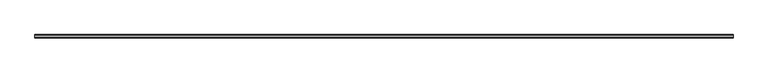
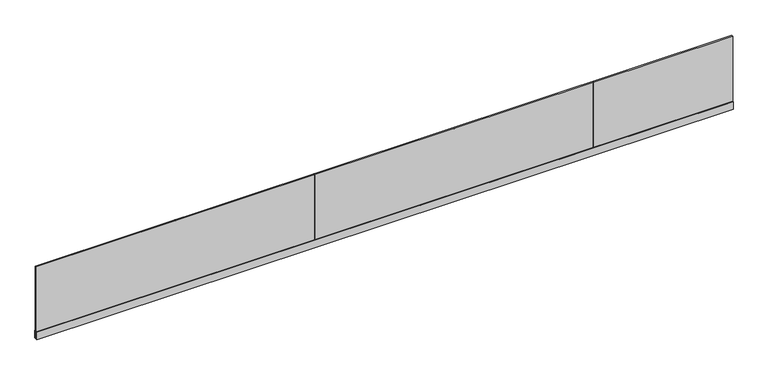
"""IFC4 building model written with IfcOpenShell, lengths in millimetres: railing geometry."""

from ifc_helpers import new_model, si_unit, frame, origin, place, context, project, spatial, polyline, outline, extrude, source, transform, mapped, element, save


def railing_f9e064a4(model_context):
    return source(origin(), model_context, "Body", "SweptSolid", [
        extrude(outline(polyline([(-3061.5739061, -3118.1175492), (-3061.5739061, -3139.6175492), (-13061.5739061, -3139.6175492), (-13061.5739061, -3118.1175492), (-3061.5739061, -3118.1175492)])), frame((0.0, 0.0, 8.0), z_axis=(0.0, 0.0, 1.0), x_axis=(1.0, 0.0, 0.0)), (0.0, 0.0, 1.0), 1092.0),
        extrude(outline(polyline([(-3103.8675492, 0.0), (-3128.8675492, 0.0), (-3153.8675492, 0.0), (-3153.8675492, 114.0), (-3139.6175492, 114.0), (-3139.6175492, 8.0), (-3128.8675492, 8.0), (-3118.1175492, 8.0), (-3118.1175492, 114.0), (-3103.8675492, 114.0), (-3103.8675492, 0.0)])), frame((-13061.5739061, 0.0, 0.0), z_axis=(1.0, 0.0, 0.0), x_axis=(0.0, 1.0, 0.0)), (0.0, 0.0, 1.0), 10000.0),
        extrude(outline(polyline([(-11063.2405711, -3139.6175492), (-11063.2405711, -3118.1175492), (-11059.9072411, -3118.1175492), (-11059.9072411, -3139.6175492), (-11063.2405711, -3139.6175492)])), frame((0.0, 0.0, 7.9), z_axis=(0.0, 0.0, 1.0), x_axis=(1.0, 0.0, 0.0)), (0.0, 0.0, 1.0), 1092.0),
        extrude(outline(polyline([(-9063.2405711, -3139.6175492), (-9063.2405711, -3118.1175492), (-9059.9072411, -3118.1175492), (-9059.9072411, -3139.6175492), (-9063.2405711, -3139.6175492)])), frame((0.0, 0.0, 7.9), z_axis=(0.0, 0.0, 1.0), x_axis=(1.0, 0.0, 0.0)), (0.0, 0.0, 1.0), 1092.0),
        extrude(outline(polyline([(-7063.2405711, -3139.6175492), (-7063.2405711, -3118.1175492), (-7059.9072411, -3118.1175492), (-7059.9072411, -3139.6175492), (-7063.2405711, -3139.6175492)])), frame((0.0, 0.0, 7.9), z_axis=(0.0, 0.0, 1.0), x_axis=(1.0, 0.0, 0.0)), (0.0, 0.0, 1.0), 1092.0),
        extrude(outline(polyline([(-5063.2405711, -3139.6175492), (-5063.2405711, -3118.1175492), (-5059.9072411, -3118.1175492), (-5059.9072411, -3139.6175492), (-5063.2405711, -3139.6175492)])), frame((0.0, 0.0, 7.9), z_axis=(0.0, 0.0, 1.0), x_axis=(1.0, 0.0, 0.0)), (0.0, 0.0, 1.0), 1092.0),
    ])


if __name__ == "__main__":
    model = new_model("IFC4")
    model_context = context("Model", 3, world=origin())
    ifc_project = project(units=[si_unit("LENGTHUNIT", "METRE", prefix="MILLI")], contexts=[model_context])
    site = spatial("IfcSite", under=ifc_project)
    building = spatial("IfcBuilding", under=site)
    placement = place(None, origin())
    railing_shape = railing_f9e064a4(model_context)
    element("IfcRailing", 1, at=placement, inside=building, context=model_context, shape_type="MappedRepresentation", body=[
        mapped(railing_shape, transform((0.0, 0.0, 0.0), x_axis=(1.0, 0.0, 0.0), y_axis=(0.0, 1.0, 0.0), z_axis=(0.0, 0.0, 1.0))),
    ])
    save(model, "model.ifc")
